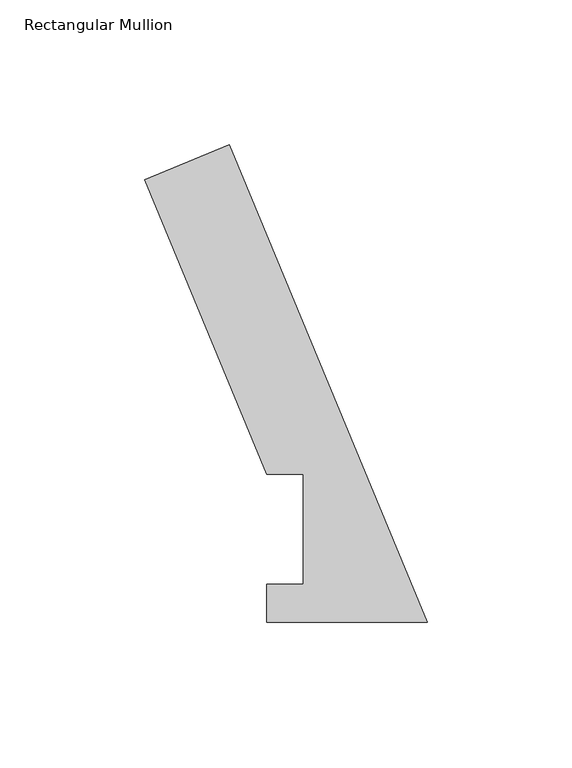
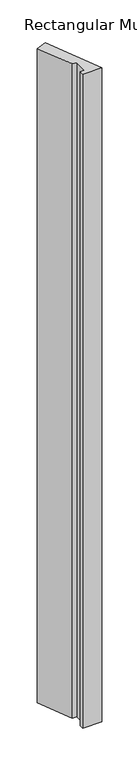
"""IFC4 building model written with IfcOpenShell, lengths in millimetres: member geometry, Rectangular Mullion."""

from ifc_helpers import new_model, si_unit, frame, origin, place, context, project, spatial, polyline, outline, extrude, source, transform, mapped, element, save


def rectangular_mullion_83246564(model_context):
    return source(origin(), model_context, "Body", "SweptSolid", [
        extrude(outline(polyline([(-97.8168646, 153.2347441), (-68.4836894, 165.384943), (0.0, 0.0506912), (-55.6176679, 0.0506912), (-55.6176679, 13.2332912), (-42.8924931, 13.2332912), (-42.8924931, 51.2960937), (-55.5924931, 51.2960937), (-97.8168646, 153.2347441)])), frame((0.0, 0.0, -1993.9000001), z_axis=(0.0, 0.0, 1.0), x_axis=(1.0, 0.0, 0.0)), (0.0, 0.0, 1.0), 1993.9000001),
    ])


if __name__ == "__main__":
    model = new_model("IFC4")
    model_context = context("Model", 3, world=origin())
    ifc_project = project(units=[si_unit("LENGTHUNIT", "METRE", prefix="MILLI")], contexts=[model_context])
    site = spatial("IfcSite", under=ifc_project)
    building = spatial("IfcBuilding", under=site)
    placement = place(None, origin())
    rectangular_mullion_shape = rectangular_mullion_83246564(model_context)
    element("IfcMember", 1, ObjectType="Rectangular Mullion", at=placement, inside=building, context=model_context, shape_type="MappedRepresentation", body=[
        mapped(rectangular_mullion_shape, transform((0.0, 0.0, 0.0), x_axis=(1.0, 0.0, 0.0), y_axis=(0.0, 1.0, 0.0), z_axis=(0.0, 0.0, 1.0))),
    ])
    save(model, "model.ifc")
